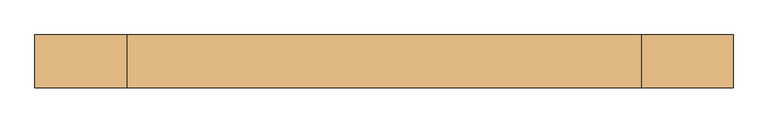
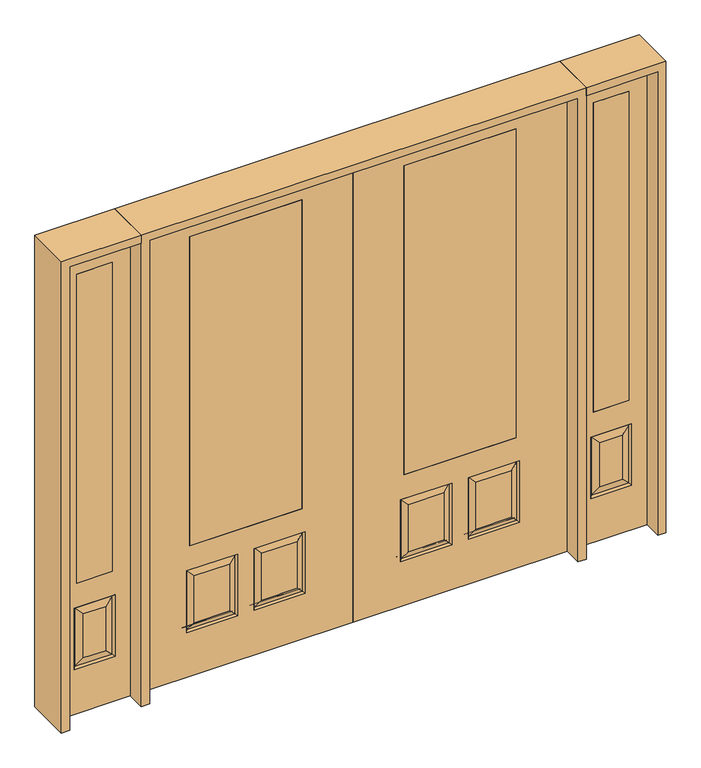
"""IFC4 building model written with IfcOpenShell, lengths in millimetres: door geometry."""

from ifc_helpers import new_model, si_unit, frame, origin, place, context, project, spatial, polyline, outline, extrude, faceted_brep, source, transform, mapped, element, save


def door_409a5106(model_context):
    return source(origin(), model_context, "Body", "SolidModel", [
        extrude(outline(polyline([(1374.775, 20.6375), (1374.775, -20.6375), (1196.975, -20.6375), (1196.975, 20.6375), (1374.775, 20.6375)])), frame((0.0, 0.0, 685.8), z_axis=(0.0, 0.0, 1.0), x_axis=(1.0, 0.0, 0.0)), (0.0, 0.0, 1.0), 1625.6),
        faceted_brep([(1108.075, -20.6375, 0.0), (1463.675, -20.6375, 0.0), (1463.675, -20.6375, 2438.4), (1108.075, -20.6375, 2438.4), (1196.975, -20.6375, 685.8), (1196.975, -20.6375, 2311.4), (1374.775, -20.6375, 2311.4), (1374.775, -20.6375, 685.8), (1184.275, -20.6375, 234.95), (1184.275, -20.6375, 558.8), (1387.475, -20.6375, 558.8), (1387.475, -20.6375, 234.95), (1341.4375, -20.6375, 280.9875), (1341.4375, -20.6375, 512.7625), (1230.3125, -20.6375, 512.7625), (1230.3125, -20.6375, 280.9875), (1374.775, 20.6375, 2311.4), (1374.775, 20.6375, 685.8), (1108.075, 20.6375, 0.0), (1108.075, 20.6375, 2438.4), (1463.675, 20.6375, 2438.4), (1463.675, 20.6375, 0.0), (1387.475, 20.6375, 234.95), (1387.475, 20.6375, 558.8), (1184.275, 20.6375, 558.8), (1184.275, 20.6375, 234.95), (1196.975, 20.6375, 2311.4), (1196.975, 20.6375, 685.8), (1230.3125, 20.6375, 280.9875), (1230.3125, 20.6375, 512.7625), (1341.4375, 20.6375, 512.7625), (1341.4375, 20.6375, 280.9875), (1193.2552561, -11.6572439, 549.8197439), (1378.4947439, -11.6572439, 549.8197439), (1378.4947439, 11.6572439, 243.9302561), (1193.2552561, 11.6572439, 243.9302561), (1193.2552561, 11.6572439, 549.8197439), (1378.4947439, 11.6572439, 549.8197439), (1378.4947439, -11.6572439, 243.9302561), (1193.2552561, -11.6572439, 243.9302561)], [[[0, 1, 2, 3], [4, 5, 6, 7], [8, 9, 10, 11]], [[12, 13, 14, 15]], [[7, 6, 16, 17]], [[18, 19, 20, 21], [22, 23, 24, 25], [17, 16, 26, 27]], [[28, 29, 30, 31]], [[32, 33, 10, 9]], [[21, 1, 0, 18]], [[20, 2, 1, 21]], [[18, 0, 3, 19]], [[34, 22, 25, 35]], [[25, 24, 36, 35]], [[24, 23, 37, 36]], [[34, 37, 23, 22]], [[35, 28, 31, 34]], [[31, 30, 37, 34]], [[36, 37, 30, 29]], [[35, 36, 29, 28]], [[17, 27, 4, 7]], [[27, 26, 5, 4]], [[8, 11, 38, 39]], [[11, 10, 33, 38]], [[39, 32, 9, 8]], [[38, 12, 15, 39]], [[15, 14, 32, 39]], [[14, 13, 33, 32]], [[38, 33, 13, 12]], [[19, 3, 2, 20]], [[6, 5, 26, 16]]]),
        extrude(outline(polyline([(-1196.975, 20.6375), (-1196.975, -20.6375), (-1374.775, -20.6375), (-1374.775, 20.6375), (-1196.975, 20.6375)])), frame((0.0, 0.0, 685.8), z_axis=(0.0, 0.0, 1.0), x_axis=(1.0, 0.0, 0.0)), (0.0, 0.0, 1.0), 1625.6),
        faceted_brep([(-1463.675, -20.6375, 0.0), (-1108.075, -20.6375, 0.0), (-1108.075, -20.6375, 2438.4), (-1463.675, -20.6375, 2438.4), (-1374.775, -20.6375, 685.8), (-1374.775, -20.6375, 2311.4), (-1196.975, -20.6375, 2311.4), (-1196.975, -20.6375, 685.8), (-1387.475, -20.6375, 234.95), (-1387.475, -20.6375, 558.8), (-1184.275, -20.6375, 558.8), (-1184.275, -20.6375, 234.95), (-1230.3125, -20.6375, 280.9875), (-1230.3125, -20.6375, 512.7625), (-1341.4375, -20.6375, 512.7625), (-1341.4375, -20.6375, 280.9875), (-1196.975, 20.6375, 2311.4), (-1196.975, 20.6375, 685.8), (-1463.675, 20.6375, 0.0), (-1463.675, 20.6375, 2438.4), (-1108.075, 20.6375, 2438.4), (-1108.075, 20.6375, 0.0), (-1184.275, 20.6375, 234.95), (-1184.275, 20.6375, 558.8), (-1387.475, 20.6375, 558.8), (-1387.475, 20.6375, 234.95), (-1374.775, 20.6375, 2311.4), (-1374.775, 20.6375, 685.8), (-1341.4375, 20.6375, 280.9875), (-1341.4375, 20.6375, 512.7625), (-1230.3125, 20.6375, 512.7625), (-1230.3125, 20.6375, 280.9875), (-1378.4947439, -11.6572439, 549.8197439), (-1193.2552561, -11.6572439, 549.8197439), (-1193.2552561, 11.6572439, 243.9302561), (-1378.4947439, 11.6572439, 243.9302561), (-1378.4947439, 11.6572439, 549.8197439), (-1193.2552561, 11.6572439, 549.8197439), (-1193.2552561, -11.6572439, 243.9302561), (-1378.4947439, -11.6572439, 243.9302561)], [[[0, 1, 2, 3], [4, 5, 6, 7], [8, 9, 10, 11]], [[12, 13, 14, 15]], [[7, 6, 16, 17]], [[18, 19, 20, 21], [22, 23, 24, 25], [17, 16, 26, 27]], [[28, 29, 30, 31]], [[32, 33, 10, 9]], [[21, 1, 0, 18]], [[20, 2, 1, 21]], [[18, 0, 3, 19]], [[34, 22, 25, 35]], [[25, 24, 36, 35]], [[24, 23, 37, 36]], [[34, 37, 23, 22]], [[35, 28, 31, 34]], [[31, 30, 37, 34]], [[36, 37, 30, 29]], [[35, 36, 29, 28]], [[17, 27, 4, 7]], [[27, 26, 5, 4]], [[8, 11, 38, 39]], [[11, 10, 33, 38]], [[39, 32, 9, 8]], [[38, 12, 15, 39]], [[15, 14, 32, 39]], [[14, 13, 33, 32]], [[38, 33, 13, 12]], [[19, 3, 2, 20]], [[6, 5, 26, 16]]]),
        faceted_brep([(254.0, -20.6375, 685.8), (254.0, 20.6375, 685.8), (254.0, 20.6375, 2311.4), (254.0, -20.6375, 2311.4), (812.8, -20.6375, 685.8), (812.8, 20.6375, 685.8), (613.5727627, -20.6375, 273.8477627), (789.7772373, -20.6375, 273.8477627), (789.7772373, -20.6375, 520.4102373), (613.5727627, -20.6375, 520.4102373), (277.0227627, -20.6375, 273.8477627), (453.2272373, -20.6375, 273.8477627), (453.2272373, -20.6375, 520.4102373), (277.0227627, -20.6375, 520.4102373), (1066.8, -20.6375, 2438.4), (0.0, -20.6375, 2438.4), (0.0, -20.6375, 0.0), (1066.8, -20.6375, 0.0), (812.8, -20.6375, 2311.4), (828.675, -20.6375, 234.95), (574.675, -20.6375, 234.95), (574.675, -20.6375, 559.308), (828.675, -20.6375, 559.308), (492.125, -20.6375, 234.95), (238.125, -20.6375, 234.95), (238.125, -20.6375, 559.308), (492.125, -20.6375, 559.308), (812.8, 20.6375, 2311.4), (453.2272373, 20.6375, 273.8477627), (277.0227627, 20.6375, 273.8477627), (277.0227627, 20.6375, 520.4102373), (453.2272373, 20.6375, 520.4102373), (789.7772373, 20.6375, 273.8477627), (613.5727627, 20.6375, 273.8477627), (613.5727627, 20.6375, 520.4102373), (789.7772373, 20.6375, 520.4102373), (0.0, 20.6375, 2438.4), (1066.8, 20.6375, 2438.4), (1066.8, 20.6375, 0.0), (0.0, 20.6375, 0.0), (238.125, 20.6375, 234.95), (492.125, 20.6375, 234.95), (492.125, 20.6375, 559.308), (238.125, 20.6375, 559.308), (574.675, 20.6375, 234.95), (828.675, 20.6375, 234.95), (828.675, 20.6375, 559.308), (574.675, 20.6375, 559.308), (821.2714647, -11.4399763, 242.3535353), (582.0785353, -11.4399763, 242.3535353), (582.0785353, -11.4399763, 551.9044647), (821.2714647, -11.4399763, 551.9044647), (484.7214647, -11.4399763, 242.3535353), (245.5285353, -11.4399763, 242.3535353), (245.5285353, -11.4399763, 551.9044647), (484.7214647, -11.4399763, 551.9044647), (245.5285353, 11.4399763, 242.3535353), (484.7214647, 11.4399763, 242.3535353), (484.7214647, 11.4399763, 551.9044647), (245.5285353, 11.4399763, 551.9044647), (582.0785353, 11.4399763, 242.3535353), (821.2714647, 11.4399763, 242.3535353), (821.2714647, 11.4399763, 551.9044647), (582.0785353, 11.4399763, 551.9044647)], [[[0, 1, 2, 3]], [[1, 0, 4, 5]], [[6, 7, 8, 9]], [[10, 11, 12, 13]], [[14, 15, 16, 17], [4, 0, 3, 18], [19, 20, 21, 22], [23, 24, 25, 26]], [[5, 4, 18, 27]], [[28, 29, 30, 31]], [[32, 33, 34, 35]], [[36, 37, 38, 39], [1, 5, 27, 2], [40, 41, 42, 43], [44, 45, 46, 47]], [[39, 38, 17, 16]], [[37, 14, 17, 38]], [[15, 36, 39, 16]], [[19, 48, 49, 20]], [[20, 49, 50, 21]], [[51, 22, 21, 50]], [[48, 19, 22, 51]], [[49, 48, 7, 6]], [[7, 48, 51, 8]], [[8, 51, 50, 9]], [[49, 6, 9, 50]], [[52, 53, 24, 23]], [[24, 53, 54, 25]], [[25, 54, 55, 26]], [[52, 23, 26, 55]], [[53, 52, 11, 10]], [[11, 52, 55, 12]], [[54, 13, 12, 55]], [[53, 10, 13, 54]], [[40, 56, 57, 41]], [[41, 57, 58, 42]], [[59, 43, 42, 58]], [[56, 40, 43, 59]], [[57, 56, 29, 28]], [[29, 56, 59, 30]], [[30, 59, 58, 31]], [[57, 28, 31, 58]], [[60, 61, 45, 44]], [[45, 61, 62, 46]], [[46, 62, 63, 47]], [[60, 44, 47, 63]], [[61, 60, 33, 32]], [[33, 60, 63, 34]], [[62, 35, 34, 63]], [[61, 32, 35, 62]], [[3, 2, 27, 18]], [[36, 15, 14, 37]]]),
        extrude(outline(polyline([(254.0, 20.6375), (812.8, 20.6375), (812.8, -20.6375), (254.0, -20.6375), (254.0, 20.6375)])), frame((0.0, 0.0, 685.8), z_axis=(0.0, 0.0, 1.0), x_axis=(1.0, 0.0, 0.0)), (0.0, 0.0, 1.0), 1625.6),
        faceted_brep([(-254.0, -20.6375, 685.8), (-254.0, -20.6375, 2311.4), (-254.0, 20.6375, 2311.4), (-254.0, 20.6375, 685.8), (-812.8, 20.6375, 685.8), (-812.8, -20.6375, 685.8), (-613.5727627, -20.6375, 273.8477627), (-613.5727627, -20.6375, 520.4102373), (-789.7772373, -20.6375, 520.4102373), (-789.7772373, -20.6375, 273.8477627), (-277.0227627, -20.6375, 273.8477627), (-277.0227627, -20.6375, 520.4102373), (-453.2272373, -20.6375, 520.4102373), (-453.2272373, -20.6375, 273.8477627), (-1066.8, -20.6375, 2438.4), (-1066.8, -20.6375, 0.0), (0.0, -20.6375, 0.0), (0.0, -20.6375, 2438.4), (-812.8, -20.6375, 2311.4), (-828.675, -20.6375, 234.95), (-828.675, -20.6375, 559.308), (-574.675, -20.6375, 559.308), (-574.675, -20.6375, 234.95), (-492.125, -20.6375, 234.95), (-492.125, -20.6375, 559.308), (-238.125, -20.6375, 559.308), (-238.125, -20.6375, 234.95), (-812.8, 20.6375, 2311.4), (-453.2272373, 20.6375, 273.8477627), (-453.2272373, 20.6375, 520.4102373), (-277.0227627, 20.6375, 520.4102373), (-277.0227627, 20.6375, 273.8477627), (-789.7772373, 20.6375, 273.8477627), (-789.7772373, 20.6375, 520.4102373), (-613.5727627, 20.6375, 520.4102373), (-613.5727627, 20.6375, 273.8477627), (0.0, 20.6375, 2438.4), (0.0, 20.6375, 0.0), (-1066.8, 20.6375, 0.0), (-1066.8, 20.6375, 2438.4), (-238.125, 20.6375, 234.95), (-238.125, 20.6375, 559.308), (-492.125, 20.6375, 559.308), (-492.125, 20.6375, 234.95), (-574.675, 20.6375, 234.95), (-574.675, 20.6375, 559.308), (-828.675, 20.6375, 559.308), (-828.675, 20.6375, 234.95), (-582.0785353, -11.4399763, 242.3535353), (-821.2714647, -11.4399763, 242.3535353), (-582.0785353, -11.4399763, 551.9044647), (-821.2714647, -11.4399763, 551.9044647), (-484.7214647, -11.4399763, 242.3535353), (-245.5285353, -11.4399763, 242.3535353), (-245.5285353, -11.4399763, 551.9044647), (-484.7214647, -11.4399763, 551.9044647), (-484.7214647, 11.4399763, 242.3535353), (-245.5285353, 11.4399763, 242.3535353), (-484.7214647, 11.4399763, 551.9044647), (-245.5285353, 11.4399763, 551.9044647), (-582.0785353, 11.4399763, 242.3535353), (-821.2714647, 11.4399763, 242.3535353), (-821.2714647, 11.4399763, 551.9044647), (-582.0785353, 11.4399763, 551.9044647)], [[[0, 1, 2, 3]], [[3, 4, 5, 0]], [[6, 7, 8, 9]], [[10, 11, 12, 13]], [[14, 15, 16, 17], [5, 18, 1, 0], [19, 20, 21, 22], [23, 24, 25, 26]], [[4, 27, 18, 5]], [[28, 29, 30, 31]], [[32, 33, 34, 35]], [[36, 37, 38, 39], [3, 2, 27, 4], [40, 41, 42, 43], [44, 45, 46, 47]], [[37, 16, 15, 38]], [[39, 38, 15, 14]], [[17, 16, 37, 36]], [[19, 22, 48, 49]], [[22, 21, 50, 48]], [[51, 50, 21, 20]], [[49, 51, 20, 19]], [[48, 6, 9, 49]], [[9, 8, 51, 49]], [[8, 7, 50, 51]], [[48, 50, 7, 6]], [[52, 23, 26, 53]], [[26, 25, 54, 53]], [[25, 24, 55, 54]], [[52, 55, 24, 23]], [[53, 10, 13, 52]], [[13, 12, 55, 52]], [[54, 55, 12, 11]], [[53, 54, 11, 10]], [[40, 43, 56, 57]], [[43, 42, 58, 56]], [[59, 58, 42, 41]], [[57, 59, 41, 40]], [[56, 28, 31, 57]], [[31, 30, 59, 57]], [[30, 29, 58, 59]], [[56, 58, 29, 28]], [[60, 44, 47, 61]], [[47, 46, 62, 61]], [[46, 45, 63, 62]], [[60, 63, 45, 44]], [[61, 32, 35, 60]], [[35, 34, 63, 60]], [[62, 63, 34, 33]], [[61, 62, 33, 32]], [[1, 18, 27, 2]], [[36, 39, 14, 17]]]),
        extrude(outline(polyline([(-254.0, 20.6375), (-254.0, -20.6375), (-812.8, -20.6375), (-812.8, 20.6375), (-254.0, 20.6375)])), frame((0.0, 0.0, 685.8), z_axis=(0.0, 0.0, 1.0), x_axis=(1.0, 0.0, 0.0)), (0.0, 0.0, 1.0), 1625.6),
        extrude(outline(polyline([(2479.675, -1108.075), (2479.675, -1504.95), (0.0, -1504.95), (0.0, -1463.675), (2438.4, -1463.675), (2438.4, -1108.075), (2479.675, -1108.075)])), frame((0.0, -114.3, 0.0), z_axis=(0.0, 1.0, 0.0), x_axis=(0.0, 0.0, 1.0)), (0.0, 0.0, 1.0), 228.6),
        extrude(outline(polyline([(2479.675, -1108.075), (0.0, -1108.075), (0.0, -1066.8), (2438.4, -1066.8), (2438.4, 1066.8), (0.0, 1066.8), (0.0, 1108.075), (2479.675, 1108.075), (2479.675, -1108.075)])), frame((0.0, -114.3, 0.0), z_axis=(0.0, 1.0, 0.0), x_axis=(0.0, 0.0, 1.0)), (0.0, 0.0, 1.0), 228.6),
        extrude(outline(polyline([(0.0, 1504.95), (2479.675, 1504.95), (2479.675, 1108.075), (2438.4, 1108.075), (2438.4, 1463.675), (0.0, 1463.675), (0.0, 1504.95)])), frame((0.0, -114.3, 0.0), z_axis=(0.0, 1.0, 0.0), x_axis=(0.0, 0.0, 1.0)), (0.0, 0.0, 1.0), 228.6),
    ])


if __name__ == "__main__":
    model = new_model("IFC4")
    model_context = context("Model", 3, world=origin())
    ifc_project = project(units=[si_unit("LENGTHUNIT", "METRE", prefix="MILLI")], contexts=[model_context])
    site = spatial("IfcSite", under=ifc_project)
    building = spatial("IfcBuilding", under=site)
    placement = place(None, origin())
    door_shape = door_409a5106(model_context)
    element("IfcDoor", 1, at=placement, inside=building, context=model_context, shape_type="MappedRepresentation", body=[
        mapped(door_shape, transform((0.0, 0.0, 0.0), x_axis=(1.0, 0.0, 0.0), y_axis=(0.0, 1.0, 0.0), z_axis=(0.0, 0.0, 1.0))),
    ])
    save(model, "model.ifc")
